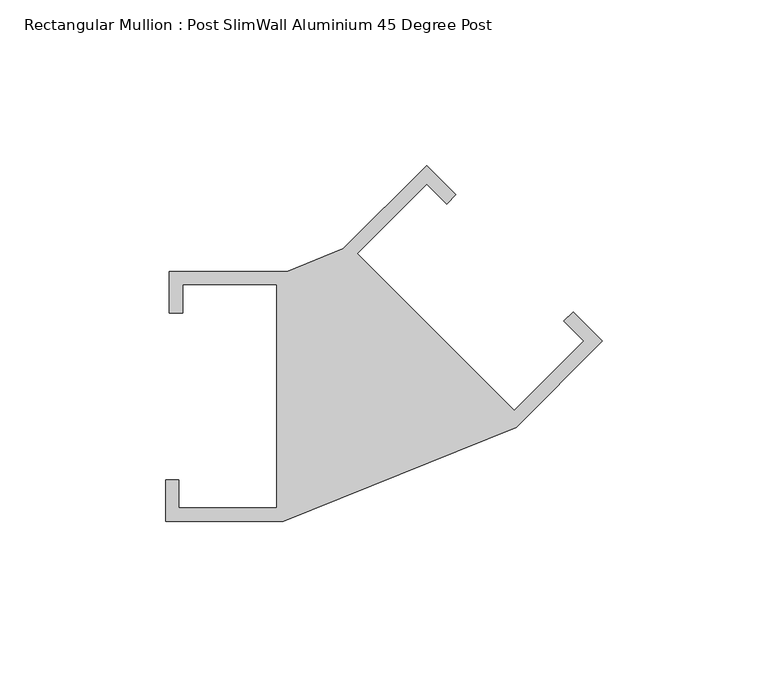
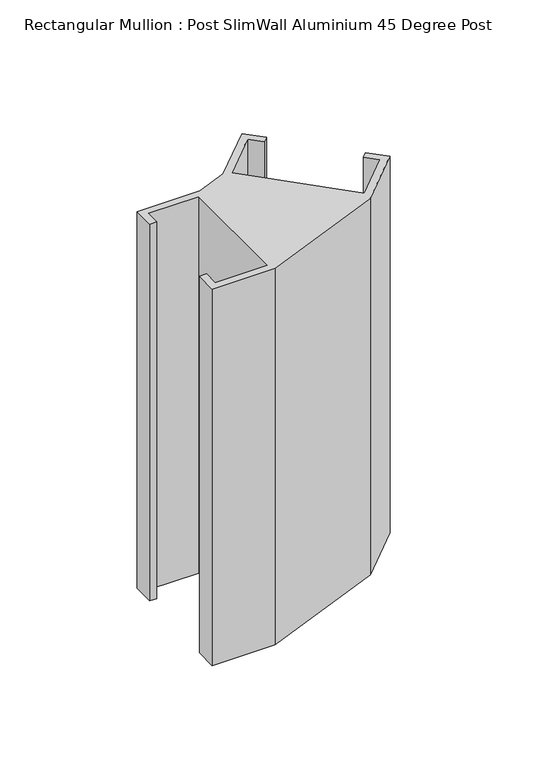
"""IFC4 building model written with IfcOpenShell, lengths in millimetres: member geometry, Rectangular Mullion : Post SlimWall Aluminium 45 Degree Post."""

import ifcopenshell
import ifcopenshell.guid

model = None  # the IFC model being written
_history = None  # IfcOwnerHistory: only IFC2X3 demands one
_inside = {}  # id of a spatial element -> (the spatial element, [elements in it])
_under = {}  # id of a project, library or spatial element -> (it, [spatial elements below it])
_declared = {}  # id of a project -> (the project, [libraries it declares])
_typed = {}  # id of a type object -> (the type object, [elements of that type])
_made_of = {}  # id of a material, layer set ... -> (it, [elements and type objects made of it])


def new_model(schema):
    """Start an empty IFC model of exactly this schema.

    Asked for "IFC4X3", IfcOpenShell would pick the latest addendum, in which some entities
    have other attributes; the version numbers below select the first issue.
    IFC2X3 requires an IfcOwnerHistory on every rooted entity: one is made here for all.
    """
    global model, _history
    if schema == "IFC4X3":
        model = ifcopenshell.file(schema_version=(4, 3, 0, 0))
    else:
        model = ifcopenshell.file(schema=schema)
    _inside.clear()
    _under.clear()
    _declared.clear()
    _typed.clear()
    _made_of.clear()
    _history = None
    if model.schema == "IFC2X3":
        org = make("IfcOrganization", Name="unknown")
        user = make(
            "IfcPersonAndOrganization",
            ThePerson=make("IfcPerson", FamilyName="unknown"),
            TheOrganization=org,
        )
        app = make(
            "IfcApplication",
            ApplicationDeveloper=org,
            Version="unknown",
            ApplicationFullName="unknown",
            ApplicationIdentifier="unknown",
        )
        _history = make(
            "IfcOwnerHistory",
            OwningUser=user,
            OwningApplication=app,
            ChangeAction="ADDED",
            CreationDate=0,
        )
    return model


def make(cls, **values):
    """One entity of the class cls with the attributes given. An attribute that is None is left unset."""
    return model.create_entity(
        cls, **{name: value for name, value in values.items() if value is not None}
    )


def rooted(cls, **values):
    """An entity with a GlobalId (a new one), such as an element, a storey or a relation."""
    return make(cls, GlobalId=ifcopenshell.guid.new(), OwnerHistory=_history, **values)


def si_unit(unit_type, name, prefix=None):
    """IfcSIUnit, for example si_unit("LENGTHUNIT", "METRE", prefix="MILLI")."""
    return make("IfcSIUnit", UnitType=unit_type, Prefix=prefix, Name=name)


def assignment(units):
    """IfcUnitAssignment: the units of a project."""
    return None if units is None else make("IfcUnitAssignment", Units=units)


def point(xyz):
    """IfcCartesianPoint."""
    return None if xyz is None else make("IfcCartesianPoint", Coordinates=xyz)


def direction(xyz):
    """IfcDirection."""
    return None if xyz is None else make("IfcDirection", DirectionRatios=xyz)


def frame(location, z_axis=None, x_axis=None):
    """IfcAxis2Placement3D, a coordinate frame: its origin and axes. An axis left out is left unset."""
    return make(
        "IfcAxis2Placement3D",
        Location=point(location),
        Axis=direction(z_axis),
        RefDirection=direction(x_axis),
    )


def origin():
    """The frame at (0, 0, 0) with its axes left unset."""
    return frame((0.0, 0.0, 0.0))


def place(relative_to, where):
    """IfcLocalPlacement: puts the frame where relative to a parent placement (None: the world)."""
    return make(
        "IfcLocalPlacement", PlacementRelTo=relative_to, RelativePlacement=where
    )


def context(
    kind, dimensions, precision=None, world=None, true_north=None, identifier=None
):
    """IfcGeometricRepresentationContext, for example the 3D "Model" context."""
    return make(
        "IfcGeometricRepresentationContext",
        ContextIdentifier=identifier,
        ContextType=kind,
        CoordinateSpaceDimension=dimensions,
        Precision=precision,
        WorldCoordinateSystem=world,
        TrueNorth=true_north,
    )


def project(units=None, contexts=None):
    """IfcProject with its units and contexts."""
    return rooted(
        "IfcProject",
        Name="project",
        RepresentationContexts=contexts,
        UnitsInContext=assignment(units),
    )


def spatial(cls, under=None, at=None, **own):
    """A site, building, storey or space (cls), placed at a placement, below another one or the project."""
    s = rooted(cls, ObjectPlacement=at, **own)
    if under is not None:
        _under.setdefault(under.id(), (under, []))[1].append(s)
    return s


def polyline(points):
    """IfcPolyline through the points."""
    return make("IfcPolyline", Points=[point(p) for p in points])


def outline(outer, holes=None, kind="AREA"):
    """IfcArbitraryClosedProfileDef: a profile drawn as a closed curve; with holes, ...WithVoids."""
    if holes is None:
        return make("IfcArbitraryClosedProfileDef", ProfileType=kind, OuterCurve=outer)
    return make(
        "IfcArbitraryProfileDefWithVoids",
        ProfileType=kind,
        OuterCurve=outer,
        InnerCurves=holes,
    )


def extrude(swept, where, along, depth):
    """IfcExtrudedAreaSolid: the profile swept, set in the frame where, extruded along a direction by depth."""
    return make(
        "IfcExtrudedAreaSolid",
        SweptArea=swept,
        Position=where,
        ExtrudedDirection=direction(along),
        Depth=depth,
    )


def shape(context_of_items, identifier, shape_type, items):
    """IfcShapeRepresentation: the items that make up one representation, for example the "Body"."""
    return make(
        "IfcShapeRepresentation",
        ContextOfItems=context_of_items,
        RepresentationIdentifier=identifier,
        RepresentationType=shape_type,
        Items=items,
    )


def source(mapping_origin, context_of_items, identifier, shape_type, items):
    """IfcRepresentationMap: a shape defined once, which mapped items show again and again."""
    return make(
        "IfcRepresentationMap",
        MappingOrigin=mapping_origin,
        MappedRepresentation=shape(context_of_items, identifier, shape_type, items),
    )


def transform(
    local_origin,
    x_axis=None,
    y_axis=None,
    z_axis=None,
    scale=None,
    scale2=None,
    scale3=None,
    uniform=True,
):
    """IfcCartesianTransformationOperator3D, or its non-uniform kind. x_axis, y_axis, z_axis: its Axis1, 2, 3."""
    if uniform:
        return make(
            "IfcCartesianTransformationOperator3D",
            Axis1=direction(x_axis),
            Axis2=direction(y_axis),
            LocalOrigin=point(local_origin),
            Scale=scale,
            Axis3=direction(z_axis),
        )
    return make(
        "IfcCartesianTransformationOperator3DnonUniform",
        Axis1=direction(x_axis),
        Axis2=direction(y_axis),
        LocalOrigin=point(local_origin),
        Scale=scale,
        Axis3=direction(z_axis),
        Scale2=scale2,
        Scale3=scale3,
    )


def mapped(mapping_source, mapping_target):
    """IfcMappedItem: shows the shape of a source again, moved by a transform."""
    return make(
        "IfcMappedItem", MappingSource=mapping_source, MappingTarget=mapping_target
    )


def made_of(thing, what):
    """Note that an element or type object is made of a material, layer set ...; save() writes the relation."""
    if what is not None:
        _made_of.setdefault(what.id(), (what, []))[1].append(thing)
    return thing


def element(
    cls,
    number,
    at=None,
    inside=None,
    cuts=None,
    type_object=None,
    material=None,
    context=None,
    identifier="Body",
    shape_type=None,
    held_by="IfcProductDefinitionShape",
    body=None,
    shapes=None,
    **own,
):
    """One element of the class cls, such as IfcWall. Its Tag is "e" and its number.

    at: its placement. inside: the storey or other place that contains it. cuts: it is an
    opening in that element (IfcRelVoidsElement). A single representation is given by context,
    identifier, shape_type and body (its items); several are given by shapes. held_by: the class
    of the entity that holds the representations. save() writes the other relations.
    """
    e = rooted(cls, Tag="e%d" % number, ObjectPlacement=at, **own)
    if body is not None:
        shapes = [shape(context, identifier, shape_type, body)]
    if shapes is not None:
        e.Representation = make(held_by, Representations=shapes)
    if inside is not None:
        _inside.setdefault(inside.id(), (inside, []))[1].append(e)
    if cuts is not None:
        rooted(
            "IfcRelVoidsElement", RelatingBuildingElement=cuts, RelatedOpeningElement=e
        )
    if type_object is not None:
        _typed.setdefault(type_object.id(), (type_object, []))[1].append(e)
    return made_of(e, material)


def aggregate(whole, parts):
    """IfcRelAggregates: a whole, such as a stair, and the parts it consists of."""
    return rooted("IfcRelAggregates", RelatingObject=whole, RelatedObjects=parts)


def save(model, path):
    """Write the relations noted so far, then the file.

    IfcRelAggregates (storeys below a building ...), IfcRelContainedInSpatialStructure (elements
    in a storey), IfcRelDefinesByType, IfcRelAssociatesMaterial and IfcRelDeclares: one each for
    every whole, place, type object, material and project.
    """
    for whole, parts in _under.values():
        aggregate(whole, parts)
    for where, things in _inside.values():
        rooted(
            "IfcRelContainedInSpatialStructure",
            RelatedElements=things,
            RelatingStructure=where,
        )
    for kind, things in _typed.values():
        rooted("IfcRelDefinesByType", RelatedObjects=things, RelatingType=kind)
    for what, things in _made_of.values():
        rooted("IfcRelAssociatesMaterial", RelatedObjects=things, RelatingMaterial=what)
    for by, libraries in _declared.values():
        rooted("IfcRelDeclares", RelatingContext=by, RelatedDefinitions=libraries)
    model.write(path)


def rectangular_mullion_post_slimwall_aluminium_45_degree_post_fd315f51(model_context):
    return source(origin(), model_context, "Body", "SweptSolid", [
        extrude(outline(polyline([(-98.2886422, -33.72692), (-98.2886422, 33.72692), (-126.6653488, 33.72692), (-126.6653488, 25.22692), (-130.6653488, 25.22692), (-130.6653488, 37.72692), (-95.1653488, 37.72692), (-78.1352993, 44.6075066), (-53.0330086, 69.7097973), (-44.1941738, 60.8709626), (-47.0226009, 58.0425354), (-53.0330086, 64.0529431), (-73.8926586, 43.193293), (-26.5165043, -4.1828613), (-5.6568542, 16.6767887), (-11.6672619, 22.6871964), (-8.8388348, 25.5156235), (0.0, 16.6767887), (-26.0088157, -9.3320269), (-96.2886422, -37.72692), (-131.7886422, -37.72692), (-131.7886422, -25.22692), (-127.7886422, -25.22692), (-127.7886422, -33.72692), (-98.2886422, -33.72692)])), frame((0.0, 0.0, -224.55), z_axis=(0.0, 0.0, 1.0), x_axis=(1.0, 0.0, 0.0)), (0.0, 0.0, 1.0), 224.55),
    ])


if __name__ == "__main__":
    model = new_model("IFC4")
    model_context = context("Model", 3, world=origin())
    ifc_project = project(units=[si_unit("LENGTHUNIT", "METRE", prefix="MILLI")], contexts=[model_context])
    site = spatial("IfcSite", under=ifc_project)
    building = spatial("IfcBuilding", under=site)
    placement = place(None, origin())
    rectangular_mullion_post_slimwall_aluminium_45_degree_post_shape = rectangular_mullion_post_slimwall_aluminium_45_degree_post_fd315f51(model_context)
    element("IfcMember", 1, ObjectType="Rectangular Mullion : Post SlimWall Aluminium 45 Degree Post", at=placement, inside=building, context=model_context, shape_type="MappedRepresentation", body=[
        mapped(rectangular_mullion_post_slimwall_aluminium_45_degree_post_shape, transform((0.0, 0.0, 0.0), x_axis=(1.0, 0.0, 0.0), y_axis=(0.0, 1.0, 0.0), z_axis=(0.0, 0.0, 1.0))),
    ])
    save(model, "model.ifc")
